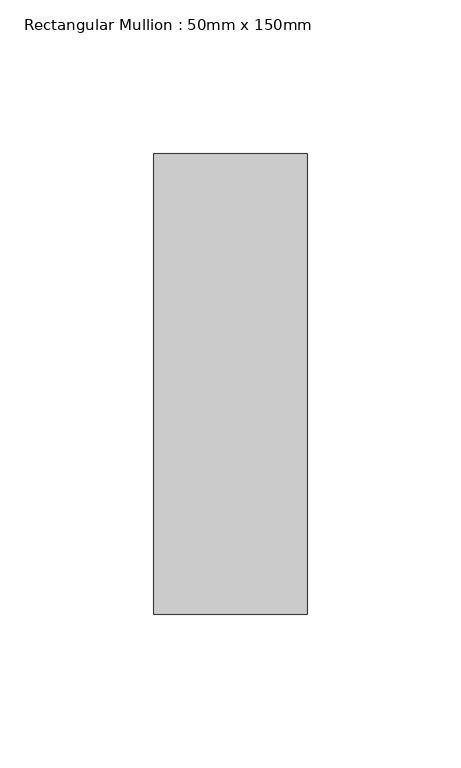
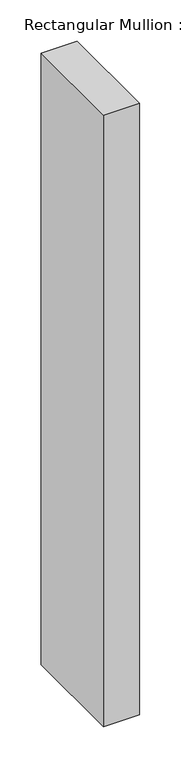
"""IFC4 building model written with IfcOpenShell, lengths in millimetres: member geometry, Rectangular Mullion : 50mm x 150mm."""

from ifc_helpers import new_model, si_unit, frame, origin, place, context, project, spatial, polyline, outline, extrude, source, transform, mapped, element, save


def rectangular_mullion_50mm_x_150mm_3ddb3363(model_context):
    return source(origin(), model_context, "Body", "SweptSolid", [
        extrude(outline(polyline([(25.0, 75.0), (25.0, -75.0), (-25.0, -75.0), (-25.0, 75.0), (25.0, 75.0)])), frame((0.0, 0.0, -900.0), z_axis=(0.0, 0.0, 1.0), x_axis=(1.0, 0.0, 0.0)), (0.0, 0.0, 1.0), 900.0),
    ])


if __name__ == "__main__":
    model = new_model("IFC4")
    model_context = context("Model", 3, world=origin())
    ifc_project = project(units=[si_unit("LENGTHUNIT", "METRE", prefix="MILLI")], contexts=[model_context])
    site = spatial("IfcSite", under=ifc_project)
    building = spatial("IfcBuilding", under=site)
    placement = place(None, origin())
    rectangular_mullion_50mm_x_150mm_shape = rectangular_mullion_50mm_x_150mm_3ddb3363(model_context)
    element("IfcMember", 1, ObjectType="Rectangular Mullion : 50mm x 150mm", at=placement, inside=building, context=model_context, shape_type="MappedRepresentation", body=[
        mapped(rectangular_mullion_50mm_x_150mm_shape, transform((0.0, 0.0, 0.0), x_axis=(1.0, 0.0, 0.0), y_axis=(0.0, 1.0, 0.0), z_axis=(0.0, 0.0, 1.0))),
    ])
    save(model, "model.ifc")
